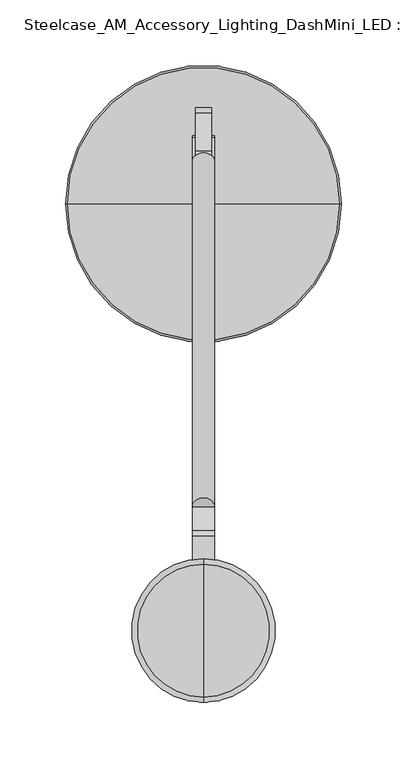
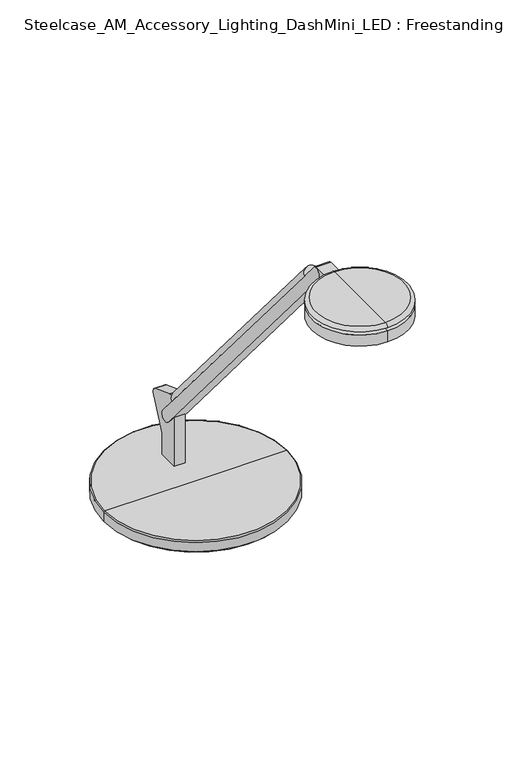
"""IFC4 building model written with IfcOpenShell, lengths in millimetres: furniture geometry, Steelcase_AM_Accessory_Lighting_DashMini_LED : Freestanding."""

from ifc_helpers import new_model, si_unit, point, frame, frame_2d, origin, place, context, project, spatial, polyline, circle_curve, ellipse_curve, trimmed, segment, composite_curve, outline, extrude, source, transform, mapped, element, save
from ifc_brep_helpers import plane_surface, cylinder_surface, revolved_surface, advanced_brep


def steelcase_am_accessory_lighting_dashmini_led_freestanding_316f6fa0(model_context):
    return source(origin(), model_context, "Body", "SolidModel", [
        extrude(outline(composite_curve([segment(polyline([(8.509, -161.2861314), (-8.509, -161.2861314)]), True, "CONTINUOUS"), segment(trimmed(circle_curve(frame_2d((0.0, -161.2861314)), 8.509), [point((-8.509, -161.2861314))], [point((8.509, -161.2861314))], False, "CARTESIAN"), True, "CONTINUOUS")], self_intersect=False)), frame((0.0, 59.9275977, 934.0367561), z_axis=(0.0, -0.6453157173859881, 0.7639159802586981), x_axis=(1.0, 0.0, 0.0)), (0.0, 0.0, 1.0), 407.9752226),
        extrude(outline(composite_curve([segment(polyline([(1165.3599936, -383.6426805), (1162.4056, -381.1636499), (1162.4056, -366.3659959), (1151.5508717, -366.3659959), (1151.5508717, -352.0202702), (1154.3820582, -354.4102311)]), True, "CONTINUOUS"), segment(trimmed(circle_curve(frame_2d((1158.6105852, -349.1496158)), 6.7494084), [point((1154.3820582, -354.4102311))], [point((1165.3599936, -349.1496158))], True, "CARTESIAN"), True, "CONTINUOUS"), segment(polyline([(1165.3599936, -349.1496158), (1165.3599936, -383.6426805)]), True, "CONTINUOUS")], self_intersect=False)), frame((8.509, 0.0, 0.0), z_axis=(-1.0, 0.0, 0.0), x_axis=(0.0, 0.0, 1.0)), (0.0, 0.0, 1.0), 17.018),
        extrude(outline(composite_curve([segment(trimmed(circle_curve(frame_2d((-57.2760289, 827.3462287)), 6.4968459), [point((-63.6335559, 826.008))], [point((-54.9477675, 833.4115568))], False, "CARTESIAN"), True, "CONTINUOUS"), segment(polyline([(-54.9477675, 833.4115568), (-26.3337634, 822.4276697)]), True, "CONTINUOUS"), segment(trimmed(circle_curve(frame_2d((-28.6602337, 816.3670075)), 6.491848), [point((-26.3337634, 822.4276697))], [point((-24.0322898, 811.8144009))], False, "CARTESIAN"), True, "CONTINUOUS"), segment(polyline([(-24.0322898, 811.8144009), (-39.5289559, 777.008319), (-39.5289559, 750.951), (-63.6335559, 750.951), (-63.6335559, 826.008)]), True, "CONTINUOUS")], self_intersect=False)), frame((-6.223, 0.0, 0.0), z_axis=(1.0, 0.0, 0.0), x_axis=(0.0, 1.0, 0.0)), (0.0, 0.0, 1.0), 12.446),
        advanced_brep(
        [(0.0, -95.563788, 750.9476331), (103.8479, -95.563788, 750.9476331), (-103.8479, -95.563788, 750.9476331), (-93.0792702, -95.563788, 731.9816908), (93.0792702, -95.563788, 731.9816908), (0.0, -95.563788, 731.9816908), (-93.0792702, -95.563788, 732.8852565), (93.0792702, -95.563788, 732.8852565), (-95.8939876, -95.563788, 732.8852565), (95.8939876, -95.563788, 732.8852565), (-102.4300117, -95.563788, 735.7952819), (102.4300117, -95.563788, 735.7952819), (-102.4300117, -95.563788, 738.6286331), (102.4300117, -95.563788, 738.6286331), (-105.3308643, -95.563788, 738.6286331), (105.3308643, -95.563788, 738.6286331), (-105.3308643, -95.563788, 749.4646687), (105.3308643, -95.563788, 749.4646687)],
        [
            (0, 1),
            (1, 2, circle_curve(frame((0.0, -95.563788, 750.9476331), z_axis=(0.0, 0.0, 1.0), x_axis=(1.0, 0.0, 0.0)), 103.8479)),
            (2, 0),
            (2, 1, circle_curve(frame((0.0, -95.563788, 750.9476331), z_axis=(0.0, 0.0, 1.0), x_axis=(1.0, 0.0, 0.0)), 103.8479)),
            (3, 4, circle_curve(frame((0.0, -95.563788, 731.9816908), z_axis=(0.0, 0.0, -1.0), x_axis=(1.0, 0.0, 0.0)), 93.0792702)),
            (4, 5),
            (5, 3),
            (4, 3, circle_curve(frame((0.0, -95.563788, 731.9816908), z_axis=(0.0, 0.0, -1.0), x_axis=(1.0, 0.0, 0.0)), 93.0792702)),
            (6, 7, circle_curve(frame((0.0, -95.563788, 732.8852565), z_axis=(0.0, 0.0, -1.0), x_axis=(1.0, 0.0, 0.0)), 93.0792702)),
            (7, 4),
            (3, 6),
            (7, 6, circle_curve(frame((0.0, -95.563788, 732.8852565), z_axis=(0.0, 0.0, -1.0), x_axis=(1.0, 0.0, 0.0)), 93.0792702)),
            (8, 9, circle_curve(frame((0.0, -95.563788, 732.8852565), z_axis=(0.0, 0.0, -1.0), x_axis=(1.0, 0.0, 0.0)), 95.8939876)),
            (9, 7),
            (6, 8),
            (9, 8, circle_curve(frame((0.0, -95.563788, 732.8852565), z_axis=(0.0, 0.0, -1.0), x_axis=(1.0, 0.0, 0.0)), 95.8939876)),
            (10, 11, circle_curve(frame((0.0, -95.563788, 735.7952819), z_axis=(0.0, 0.0, -1.0), x_axis=(1.0, 0.0, 0.0)), 102.4300117)),
            (11, 9),
            (8, 10),
            (11, 10, circle_curve(frame((0.0, -95.563788, 735.7952819), z_axis=(0.0, 0.0, -1.0), x_axis=(1.0, 0.0, 0.0)), 102.4300117)),
            (12, 13, circle_curve(frame((0.0, -95.563788, 738.6286331), z_axis=(0.0, 0.0, -1.0), x_axis=(1.0, 0.0, 0.0)), 102.4300117)),
            (13, 11),
            (10, 12),
            (13, 12, circle_curve(frame((0.0, -95.563788, 738.6286331), z_axis=(0.0, 0.0, -1.0), x_axis=(1.0, 0.0, 0.0)), 102.4300117)),
            (14, 15, circle_curve(frame((0.0, -95.563788, 738.6286331), z_axis=(0.0, 0.0, -1.0), x_axis=(1.0, 0.0, 0.0)), 105.3308643)),
            (15, 13),
            (12, 14),
            (15, 14, circle_curve(frame((0.0, -95.563788, 738.6286331), z_axis=(0.0, 0.0, -1.0), x_axis=(1.0, 0.0, 0.0)), 105.3308643)),
            (16, 17, circle_curve(frame((0.0, -95.563788, 749.4646687), z_axis=(0.0, 0.0, -1.0), x_axis=(1.0, 0.0, 0.0)), 105.3308643)),
            (17, 15),
            (14, 16),
            (17, 16, circle_curve(frame((0.0, -95.563788, 749.4646687), z_axis=(0.0, 0.0, -1.0), x_axis=(1.0, 0.0, 0.0)), 105.3308643)),
            (1, 17, circle_curve(frame((103.8479, -95.563788, 749.4646687), z_axis=(0.0, 1.0, 0.0), x_axis=(1.0, 0.0, 0.0)), 1.4829643)),
            (16, 2, circle_curve(frame((-103.8479, -95.563788, 749.4646687), z_axis=(0.0, 1.0, 0.0), x_axis=(-1.0, 0.0, 0.0)), 1.4829643)),
        ],
        [
            plane_surface(frame((0.0, -95.563788, 750.9476331), z_axis=(0.0, 0.0, 1.0), x_axis=(1.0, 0.0, 0.0))),
            plane_surface(frame((0.0, -95.563788, 731.9816908), z_axis=(0.0, 0.0, -1.0), x_axis=(1.0, 0.0, 0.0))),
            cylinder_surface(frame((0.0, -95.563788, 757.2976331), z_axis=(0.0, 0.0, 1.0), x_axis=(1.0, 0.0, 0.0)), 93.0792702),
            plane_surface(frame((0.0, -95.563788, 732.8852565), z_axis=(0.0, 0.0, -1.0), x_axis=(1.0, 0.0, 0.0))),
            revolved_surface(polyline([(95.8939876, -95.563788, 732.8852565), (102.4300117, -95.563788, 735.7952819)]), (0.0, -95.563788, 757.2976331), (0.0, 0.0, 1.0)),
            cylinder_surface(frame((0.0, -95.563788, 757.2976331), z_axis=(0.0, 0.0, 1.0), x_axis=(1.0, 0.0, 0.0)), 102.4300117),
            plane_surface(frame((0.0, -95.563788, 738.6286331), z_axis=(0.0, 0.0, -1.0), x_axis=(1.0, 0.0, 0.0))),
            cylinder_surface(frame((0.0, -95.563788, 757.2976331), z_axis=(0.0, 0.0, 1.0), x_axis=(1.0, 0.0, 0.0)), 105.3308643),
            revolved_surface(trimmed(ellipse_curve(frame((103.8479, -95.563788, 749.4646687), z_axis=(0.0, -1.0, 0.0), x_axis=(1.0, 0.0, 0.0)), 1.4829643, 1.4829643), [point((105.3308643, -95.563788, 749.4646687))], [point((103.8479, -95.563788, 750.9476331))], True, "CARTESIAN"), (0.0, -95.563788, 757.2976331), (0.0, 0.0, 1.0)),
        ],
        [
            (0, [[1, 2, 3]]),
            (0, [[-3, 4, -1]]),
            (1, [[5, 6, 7]]),
            (1, [[8, -7, -6]]),
            (2, [[9, 10, -5, 11]]),
            (2, [[12, -11, -8, -10]]),
            (3, [[13, 14, -9, 15]]),
            (3, [[16, -15, -12, -14]]),
            (4, [[17, 18, -13, 19]]),
            (4, [[20, -19, -16, -18]]),
            (5, [[21, 22, -17, 23]]),
            (5, [[24, -23, -20, -22]]),
            (6, [[25, 26, -21, 27]]),
            (6, [[28, -27, -24, -26]]),
            (7, [[29, 30, -25, 31]]),
            (7, [[32, -31, -28, -30]]),
            (8, [[-2, 33, -29, 34]]),
            (8, [[-4, -34, -32, -33]]),
        ],
    ),
        advanced_brep(
        [(0.0, -366.3659959, 1166.2156), (0.0, -475.8399959, 1166.2156), (0.0, -471.7839412, 1170.0256), (0.0, -370.4220506, 1170.0256), (0.0, -384.354515, 1166.2156), (0.0, -457.8514768, 1166.2156), (0.0, -381.6867242, 1162.4056), (0.0, -460.5192676, 1162.4056), (0.0, -366.3659959, 1162.4056), (0.0, -475.8399959, 1162.4056), (0.0, -366.3659959, 1149.0706), (0.0, -475.8399959, 1149.0706), (0.0, -421.1029959, 1149.0706), (0.0, -421.1029959, 1170.0256)],
        [
            (0, 1, circle_curve(frame((0.0, -421.1029959, 1166.2156), z_axis=(0.0, 0.0, 1.0), x_axis=(0.0, -1.0, 0.0)), 54.737)),
            (1, 2, circle_curve(frame((0.0, -471.7839412, 1165.9616), z_axis=(-1.0, 0.0, 0.0), x_axis=(0.0, -1.0, 0.0)), 4.064)),
            (2, 3, circle_curve(frame((0.0, -421.1029959, 1170.0256), z_axis=(0.0, 0.0, -1.0), x_axis=(0.0, -1.0, 0.0)), 50.6809453)),
            (3, 0, circle_curve(frame((0.0, -370.4220506, 1165.9616), z_axis=(-1.0, 0.0, 0.0), x_axis=(0.0, 1.0, 0.0)), 4.064)),
            (1, 0, circle_curve(frame((0.0, -421.1029959, 1166.2156), z_axis=(0.0, 0.0, 1.0), x_axis=(0.0, -1.0, 0.0)), 54.737)),
            (3, 2, circle_curve(frame((0.0, -421.1029959, 1170.0256), z_axis=(0.0, 0.0, -1.0), x_axis=(0.0, -1.0, 0.0)), 50.6809453)),
            (4, 5, circle_curve(frame((0.0, -421.1029959, 1166.2156), z_axis=(0.0, 0.0, 1.0), x_axis=(0.0, -1.0, 0.0)), 36.7484809)),
            (5, 1),
            (0, 4),
            (5, 4, circle_curve(frame((0.0, -421.1029959, 1166.2156), z_axis=(0.0, 0.0, 1.0), x_axis=(0.0, -1.0, 0.0)), 36.7484809)),
            (6, 7, circle_curve(frame((0.0, -421.1029959, 1162.4056), z_axis=(0.0, 0.0, 1.0), x_axis=(0.0, -1.0, 0.0)), 39.4162717)),
            (7, 5),
            (4, 6),
            (7, 6, circle_curve(frame((0.0, -421.1029959, 1162.4056), z_axis=(0.0, 0.0, 1.0), x_axis=(0.0, -1.0, 0.0)), 39.4162717)),
            (8, 9, circle_curve(frame((0.0, -421.1029959, 1162.4056), z_axis=(0.0, 0.0, 1.0), x_axis=(0.0, -1.0, 0.0)), 54.737)),
            (9, 7),
            (6, 8),
            (9, 8, circle_curve(frame((0.0, -421.1029959, 1162.4056), z_axis=(0.0, 0.0, 1.0), x_axis=(0.0, -1.0, 0.0)), 54.737)),
            (10, 11, circle_curve(frame((0.0, -421.1029959, 1149.0706), z_axis=(0.0, 0.0, 1.0), x_axis=(0.0, -1.0, 0.0)), 54.737)),
            (11, 9),
            (8, 10),
            (11, 10, circle_curve(frame((0.0, -421.1029959, 1149.0706), z_axis=(0.0, 0.0, 1.0), x_axis=(0.0, -1.0, 0.0)), 54.737)),
            (12, 11),
            (10, 12),
            (2, 13),
            (13, 3),
        ],
        [
            revolved_surface(trimmed(ellipse_curve(frame((0.0, -471.7839412, 1165.9616), z_axis=(1.0, 0.0, 0.0), x_axis=(0.0, -1.0, 0.0)), 4.064, 4.064), [point((0.0, -471.7839412, 1170.0256))], [point((0.0, -475.8399959, 1166.2156))], True, "CARTESIAN"), (0.0, -421.1029959, 1170.0256), (0.0, 0.0, -1.0)),
            plane_surface(frame((0.0, -421.1029959, 1166.2156), z_axis=(0.0, 0.0, -1.0), x_axis=(0.0, -1.0, 0.0))),
            revolved_surface(polyline([(0.0, -457.8514768, 1166.2156), (0.0, -460.5192676, 1162.4056)]), (0.0, -421.1029959, 1170.0256), (0.0, 0.0, -1.0)),
            plane_surface(frame((0.0, -421.1029959, 1162.4056), z_axis=(0.0, 0.0, 1.0), x_axis=(0.0, -1.0, 0.0))),
            cylinder_surface(frame((0.0, -421.1029959, 1170.0256), z_axis=(0.0, 0.0, -1.0), x_axis=(0.0, -1.0, 0.0)), 54.737),
            plane_surface(frame((0.0, -421.1029959, 1149.0706), z_axis=(0.0, 0.0, -1.0), x_axis=(0.0, -1.0, 0.0))),
            plane_surface(frame((0.0, -421.1029959, 1170.0256), z_axis=(0.0, 0.0, 1.0), x_axis=(0.0, -1.0, 0.0))),
        ],
        [
            (0, [[1, 2, 3, 4]]),
            (0, [[5, -4, 6, -2]]),
            (1, [[7, 8, -1, 9]]),
            (1, [[10, -9, -5, -8]]),
            (2, [[11, 12, -7, 13]]),
            (2, [[14, -13, -10, -12]]),
            (3, [[15, 16, -11, 17]]),
            (3, [[18, -17, -14, -16]]),
            (4, [[19, 20, -15, 21]]),
            (4, [[22, -21, -18, -20]]),
            (5, [[23, -19, 24]]),
            (5, [[-24, -22, -23]]),
            (6, [[-3, 25, 26]]),
            (6, [[-6, -26, -25]]),
        ],
    ),
        extrude(outline(composite_curve([segment(trimmed(circle_curve(frame_2d((-50.3508694, 804.4209036)), 6.6004988), [point((-45.3086429, 808.6803092))], [point((-55.394567, 800.16324))], False, "CARTESIAN"), True, "CONTINUOUS"), segment(polyline([(-55.394567, 800.16324), (-354.4102311, 1154.3820582)]), True, "CONTINUOUS"), segment(trimmed(circle_curve(frame_2d((-349.4277131, 1158.5880769)), 6.5204355), [point((-354.4102311, 1154.3820582))], [point((-344.4466482, 1162.7958164))], False, "CARTESIAN"), True, "CONTINUOUS"), segment(polyline([(-344.4466482, 1162.7958164), (-45.3086429, 808.6803092)]), True, "CONTINUOUS")], self_intersect=False)), frame((-8.509, 0.0, 0.0), z_axis=(1.0, 0.0, 0.0), x_axis=(0.0, 1.0, 0.0)), (0.0, 0.0, 1.0), 17.018),
    ])


if __name__ == "__main__":
    model = new_model("IFC4")
    model_context = context("Model", 3, world=origin())
    ifc_project = project(units=[si_unit("LENGTHUNIT", "METRE", prefix="MILLI")], contexts=[model_context])
    site = spatial("IfcSite", under=ifc_project)
    building = spatial("IfcBuilding", under=site)
    placement = place(None, origin())
    steelcase_am_accessory_lighting_dashmini_led_freestanding_shape = steelcase_am_accessory_lighting_dashmini_led_freestanding_316f6fa0(model_context)
    element("IfcFurniture", 1, ObjectType="Steelcase_AM_Accessory_Lighting_DashMini_LED : Freestanding", at=placement, inside=building, context=model_context, shape_type="MappedRepresentation", body=[
        mapped(steelcase_am_accessory_lighting_dashmini_led_freestanding_shape, transform((0.0, 0.0, 0.0), x_axis=(1.0, 0.0, 0.0), y_axis=(0.0, 1.0, 0.0), z_axis=(0.0, 0.0, 1.0))),
    ])
    save(model, "model.ifc")
